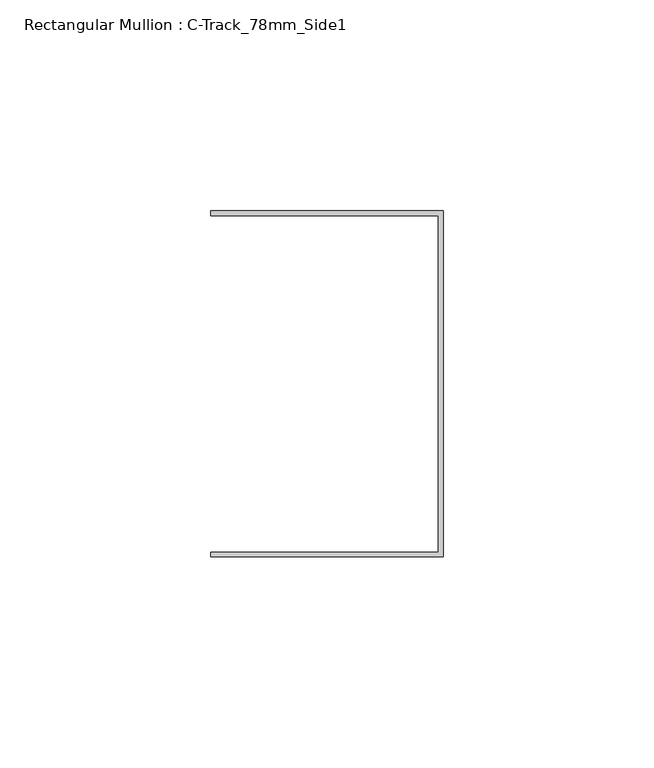
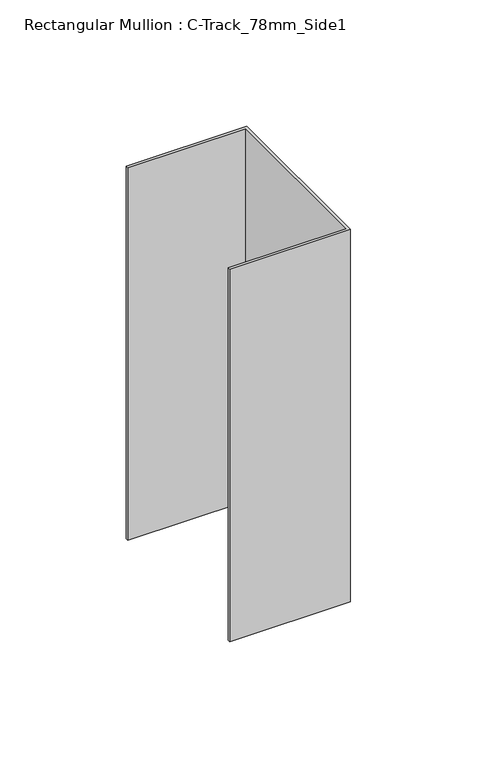
"""IFC4 building model written with IfcOpenShell, lengths in millimetres: member geometry, Rectangular Mullion : C-Track_78mm_Side1."""

from ifc_helpers import new_model, si_unit, frame, origin, place, context, project, spatial, polyline, outline, extrude, source, transform, mapped, element, save


def rectangular_mullion_c_track_78mm_side1_0dca7802(model_context):
    return source(origin(), model_context, "Body", "SweptSolid", [
        extrude(outline(polyline([(-1.15, 39.85), (-55.0, 39.85), (-55.0, 41.0), (0.0, 41.0), (0.0, -41.0), (-55.0, -41.0), (-55.0, -39.85), (-1.15, -39.85), (-1.15, 39.85)])), frame((0.0, 0.0, -179.9999997), z_axis=(0.0, 0.0, 1.0), x_axis=(1.0, 0.0, 0.0)), (0.0, 0.0, 1.0), 179.9999997),
    ])


if __name__ == "__main__":
    model = new_model("IFC4")
    model_context = context("Model", 3, world=origin())
    ifc_project = project(units=[si_unit("LENGTHUNIT", "METRE", prefix="MILLI")], contexts=[model_context])
    site = spatial("IfcSite", under=ifc_project)
    building = spatial("IfcBuilding", under=site)
    placement = place(None, origin())
    rectangular_mullion_c_track_78mm_side1_shape = rectangular_mullion_c_track_78mm_side1_0dca7802(model_context)
    element("IfcMember", 1, ObjectType="Rectangular Mullion : C-Track_78mm_Side1", at=placement, inside=building, context=model_context, shape_type="MappedRepresentation", body=[
        mapped(rectangular_mullion_c_track_78mm_side1_shape, transform((0.0, 0.0, 0.0), x_axis=(1.0, 0.0, 0.0), y_axis=(0.0, 1.0, 0.0), z_axis=(0.0, 0.0, 1.0))),
    ])
    save(model, "model.ifc")
